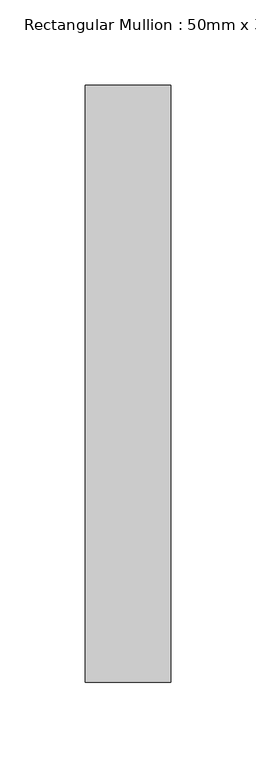
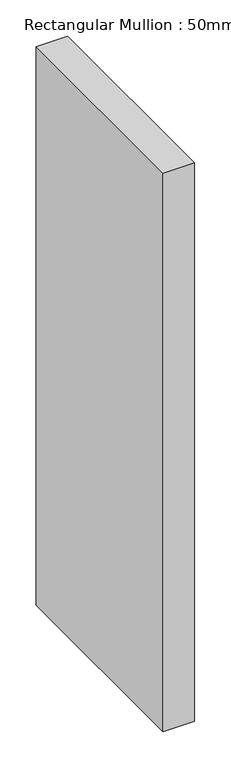
"""IFC4 building model written with IfcOpenShell, lengths in millimetres: member geometry, Rectangular Mullion : 50mm x 350mm."""

from ifc_helpers import new_model, si_unit, frame, origin, place, context, project, spatial, polyline, outline, extrude, source, transform, mapped, element, save


def rectangular_mullion_50mm_x_350mm_ea118be5(model_context):
    return source(origin(), model_context, "Body", "SweptSolid", [
        extrude(outline(polyline([(0.0, 175.0), (0.0, -175.0), (-50.0, -175.0), (-50.0, 175.0), (0.0, 175.0)])), frame((0.0, 0.0, -938.4), z_axis=(0.0, 0.0, 1.0), x_axis=(1.0, 0.0, 0.0)), (0.0, 0.0, 1.0), 938.4),
    ])


if __name__ == "__main__":
    model = new_model("IFC4")
    model_context = context("Model", 3, world=origin())
    ifc_project = project(units=[si_unit("LENGTHUNIT", "METRE", prefix="MILLI")], contexts=[model_context])
    site = spatial("IfcSite", under=ifc_project)
    building = spatial("IfcBuilding", under=site)
    placement = place(None, origin())
    rectangular_mullion_50mm_x_350mm_shape = rectangular_mullion_50mm_x_350mm_ea118be5(model_context)
    element("IfcMember", 1, ObjectType="Rectangular Mullion : 50mm x 350mm", at=placement, inside=building, context=model_context, shape_type="MappedRepresentation", body=[
        mapped(rectangular_mullion_50mm_x_350mm_shape, transform((0.0, 0.0, 0.0), x_axis=(1.0, 0.0, 0.0), y_axis=(0.0, 1.0, 0.0), z_axis=(0.0, 0.0, 1.0))),
    ])
    save(model, "model.ifc")
